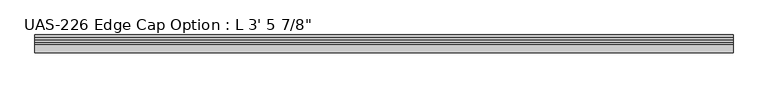
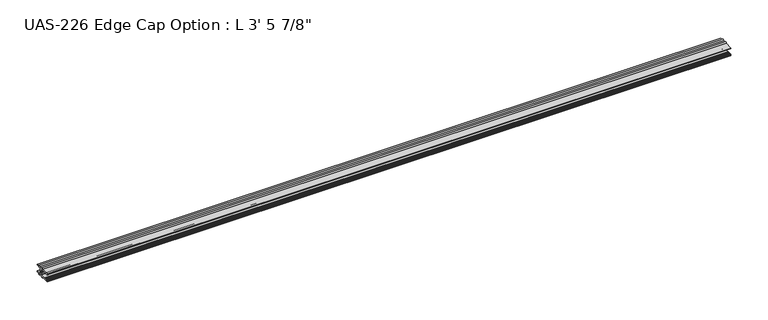
"""IFC4 building model written with IfcOpenShell, lengths in millimetres: proxy geometry."""

import ifcopenshell
import ifcopenshell.guid

model = None  # the IFC model being written
_history = None  # IfcOwnerHistory: only IFC2X3 demands one
_inside = {}  # id of a spatial element -> (the spatial element, [elements in it])
_under = {}  # id of a project, library or spatial element -> (it, [spatial elements below it])
_declared = {}  # id of a project -> (the project, [libraries it declares])
_typed = {}  # id of a type object -> (the type object, [elements of that type])
_made_of = {}  # id of a material, layer set ... -> (it, [elements and type objects made of it])


def new_model(schema):
    """Start an empty IFC model of exactly this schema.

    Asked for "IFC4X3", IfcOpenShell would pick the latest addendum, in which some entities
    have other attributes; the version numbers below select the first issue.
    IFC2X3 requires an IfcOwnerHistory on every rooted entity: one is made here for all.
    """
    global model, _history
    if schema == "IFC4X3":
        model = ifcopenshell.file(schema_version=(4, 3, 0, 0))
    else:
        model = ifcopenshell.file(schema=schema)
    _inside.clear()
    _under.clear()
    _declared.clear()
    _typed.clear()
    _made_of.clear()
    _history = None
    if model.schema == "IFC2X3":
        org = make("IfcOrganization", Name="unknown")
        user = make(
            "IfcPersonAndOrganization",
            ThePerson=make("IfcPerson", FamilyName="unknown"),
            TheOrganization=org,
        )
        app = make(
            "IfcApplication",
            ApplicationDeveloper=org,
            Version="unknown",
            ApplicationFullName="unknown",
            ApplicationIdentifier="unknown",
        )
        _history = make(
            "IfcOwnerHistory",
            OwningUser=user,
            OwningApplication=app,
            ChangeAction="ADDED",
            CreationDate=0,
        )
    return model


def make(cls, **values):
    """One entity of the class cls with the attributes given. An attribute that is None is left unset."""
    return model.create_entity(
        cls, **{name: value for name, value in values.items() if value is not None}
    )


def rooted(cls, **values):
    """An entity with a GlobalId (a new one), such as an element, a storey or a relation."""
    return make(cls, GlobalId=ifcopenshell.guid.new(), OwnerHistory=_history, **values)


def si_unit(unit_type, name, prefix=None):
    """IfcSIUnit, for example si_unit("LENGTHUNIT", "METRE", prefix="MILLI")."""
    return make("IfcSIUnit", UnitType=unit_type, Prefix=prefix, Name=name)


def assignment(units):
    """IfcUnitAssignment: the units of a project."""
    return None if units is None else make("IfcUnitAssignment", Units=units)


def point(xyz):
    """IfcCartesianPoint."""
    return None if xyz is None else make("IfcCartesianPoint", Coordinates=xyz)


def direction(xyz):
    """IfcDirection."""
    return None if xyz is None else make("IfcDirection", DirectionRatios=xyz)


def frame(location, z_axis=None, x_axis=None):
    """IfcAxis2Placement3D, a coordinate frame: its origin and axes. An axis left out is left unset."""
    return make(
        "IfcAxis2Placement3D",
        Location=point(location),
        Axis=direction(z_axis),
        RefDirection=direction(x_axis),
    )


def frame_2d(location, x_axis=None):
    """IfcAxis2Placement2D, a coordinate frame in the plane: its origin and x axis."""
    return make(
        "IfcAxis2Placement2D", Location=point(location), RefDirection=direction(x_axis)
    )


def origin():
    """The frame at (0, 0, 0) with its axes left unset."""
    return frame((0.0, 0.0, 0.0))


def place(relative_to, where):
    """IfcLocalPlacement: puts the frame where relative to a parent placement (None: the world)."""
    return make(
        "IfcLocalPlacement", PlacementRelTo=relative_to, RelativePlacement=where
    )


def context(
    kind, dimensions, precision=None, world=None, true_north=None, identifier=None
):
    """IfcGeometricRepresentationContext, for example the 3D "Model" context."""
    return make(
        "IfcGeometricRepresentationContext",
        ContextIdentifier=identifier,
        ContextType=kind,
        CoordinateSpaceDimension=dimensions,
        Precision=precision,
        WorldCoordinateSystem=world,
        TrueNorth=true_north,
    )


def project(units=None, contexts=None):
    """IfcProject with its units and contexts."""
    return rooted(
        "IfcProject",
        Name="project",
        RepresentationContexts=contexts,
        UnitsInContext=assignment(units),
    )


def spatial(cls, under=None, at=None, **own):
    """A site, building, storey or space (cls), placed at a placement, below another one or the project."""
    s = rooted(cls, ObjectPlacement=at, **own)
    if under is not None:
        _under.setdefault(under.id(), (under, []))[1].append(s)
    return s


def polyline(points):
    """IfcPolyline through the points."""
    return make("IfcPolyline", Points=[point(p) for p in points])


def circle_curve(where, radius):
    """IfcCircle in the frame where."""
    return make("IfcCircle", Position=where, Radius=radius)


def trimmed(basis, trim1, trim2, sense, master):
    """IfcTrimmedCurve: the piece of a basis curve between two trims."""
    return make(
        "IfcTrimmedCurve",
        BasisCurve=basis,
        Trim1=trim1,
        Trim2=trim2,
        SenseAgreement=sense,
        MasterRepresentation=master,
    )


def segment(curve, same_sense, transition):
    """IfcCompositeCurveSegment."""
    return make(
        "IfcCompositeCurveSegment",
        Transition=transition,
        SameSense=same_sense,
        ParentCurve=curve,
    )


def composite_curve(segments, self_intersect=None):
    """IfcCompositeCurve: segments joined end to end."""
    return make("IfcCompositeCurve", Segments=segments, SelfIntersect=self_intersect)


def outline(outer, holes=None, kind="AREA"):
    """IfcArbitraryClosedProfileDef: a profile drawn as a closed curve; with holes, ...WithVoids."""
    if holes is None:
        return make("IfcArbitraryClosedProfileDef", ProfileType=kind, OuterCurve=outer)
    return make(
        "IfcArbitraryProfileDefWithVoids",
        ProfileType=kind,
        OuterCurve=outer,
        InnerCurves=holes,
    )


def extrude(swept, where, along, depth):
    """IfcExtrudedAreaSolid: the profile swept, set in the frame where, extruded along a direction by depth."""
    return make(
        "IfcExtrudedAreaSolid",
        SweptArea=swept,
        Position=where,
        ExtrudedDirection=direction(along),
        Depth=depth,
    )


def shape(context_of_items, identifier, shape_type, items):
    """IfcShapeRepresentation: the items that make up one representation, for example the "Body"."""
    return make(
        "IfcShapeRepresentation",
        ContextOfItems=context_of_items,
        RepresentationIdentifier=identifier,
        RepresentationType=shape_type,
        Items=items,
    )


def source(mapping_origin, context_of_items, identifier, shape_type, items):
    """IfcRepresentationMap: a shape defined once, which mapped items show again and again."""
    return make(
        "IfcRepresentationMap",
        MappingOrigin=mapping_origin,
        MappedRepresentation=shape(context_of_items, identifier, shape_type, items),
    )


def transform(
    local_origin,
    x_axis=None,
    y_axis=None,
    z_axis=None,
    scale=None,
    scale2=None,
    scale3=None,
    uniform=True,
):
    """IfcCartesianTransformationOperator3D, or its non-uniform kind. x_axis, y_axis, z_axis: its Axis1, 2, 3."""
    if uniform:
        return make(
            "IfcCartesianTransformationOperator3D",
            Axis1=direction(x_axis),
            Axis2=direction(y_axis),
            LocalOrigin=point(local_origin),
            Scale=scale,
            Axis3=direction(z_axis),
        )
    return make(
        "IfcCartesianTransformationOperator3DnonUniform",
        Axis1=direction(x_axis),
        Axis2=direction(y_axis),
        LocalOrigin=point(local_origin),
        Scale=scale,
        Axis3=direction(z_axis),
        Scale2=scale2,
        Scale3=scale3,
    )


def mapped(mapping_source, mapping_target):
    """IfcMappedItem: shows the shape of a source again, moved by a transform."""
    return make(
        "IfcMappedItem", MappingSource=mapping_source, MappingTarget=mapping_target
    )


def made_of(thing, what):
    """Note that an element or type object is made of a material, layer set ...; save() writes the relation."""
    if what is not None:
        _made_of.setdefault(what.id(), (what, []))[1].append(thing)
    return thing


def element(
    cls,
    number,
    at=None,
    inside=None,
    cuts=None,
    type_object=None,
    material=None,
    context=None,
    identifier="Body",
    shape_type=None,
    held_by="IfcProductDefinitionShape",
    body=None,
    shapes=None,
    **own,
):
    """One element of the class cls, such as IfcWall. Its Tag is "e" and its number.

    at: its placement. inside: the storey or other place that contains it. cuts: it is an
    opening in that element (IfcRelVoidsElement). A single representation is given by context,
    identifier, shape_type and body (its items); several are given by shapes. held_by: the class
    of the entity that holds the representations. save() writes the other relations.
    """
    e = rooted(cls, Tag="e%d" % number, ObjectPlacement=at, **own)
    if body is not None:
        shapes = [shape(context, identifier, shape_type, body)]
    if shapes is not None:
        e.Representation = make(held_by, Representations=shapes)
    if inside is not None:
        _inside.setdefault(inside.id(), (inside, []))[1].append(e)
    if cuts is not None:
        rooted(
            "IfcRelVoidsElement", RelatingBuildingElement=cuts, RelatedOpeningElement=e
        )
    if type_object is not None:
        _typed.setdefault(type_object.id(), (type_object, []))[1].append(e)
    return made_of(e, material)


def aggregate(whole, parts):
    """IfcRelAggregates: a whole, such as a stair, and the parts it consists of."""
    return rooted("IfcRelAggregates", RelatingObject=whole, RelatedObjects=parts)


def save(model, path):
    """Write the relations noted so far, then the file.

    IfcRelAggregates (storeys below a building ...), IfcRelContainedInSpatialStructure (elements
    in a storey), IfcRelDefinesByType, IfcRelAssociatesMaterial and IfcRelDeclares: one each for
    every whole, place, type object, material and project.
    """
    for whole, parts in _under.values():
        aggregate(whole, parts)
    for where, things in _inside.values():
        rooted(
            "IfcRelContainedInSpatialStructure",
            RelatedElements=things,
            RelatingStructure=where,
        )
    for kind, things in _typed.values():
        rooted("IfcRelDefinesByType", RelatedObjects=things, RelatingType=kind)
    for what, things in _made_of.values():
        rooted("IfcRelAssociatesMaterial", RelatedObjects=things, RelatingMaterial=what)
    for by, libraries in _declared.values():
        rooted("IfcRelDeclares", RelatingContext=by, RelatedDefinitions=libraries)
    model.write(path)


def proxy_6c69d7c0(model_context):
    return source(origin(), model_context, "Body", "SweptSolid", [
        extrude(outline(composite_curve([segment(polyline([(0.0, 14.2875), (12.2786739, 14.2875)]), True, "CONTINUOUS"), segment(trimmed(circle_curve(frame_2d((13.8661739, 14.2875)), 1.5875), [point((12.2786739, 14.2875))], [point((15.4536739, 14.2875))], False, "CARTESIAN"), True, "CONTINUOUS"), segment(polyline([(15.4536739, 14.2875), (19.6319739, 14.2875)]), True, "CONTINUOUS"), segment(trimmed(circle_curve(frame_2d((21.2067739, 14.2875)), 1.5748), [point((19.6319739, 14.2875))], [point((22.7815739, 14.2875))], False, "CARTESIAN"), True, "CONTINUOUS"), segment(polyline([(22.7815739, 14.2875), (26.9852739, 14.2875), (26.9852739, 12.7), (17.9111239, 12.7), (17.9111239, 3.175), (26.9852739, 3.175), (26.9852739, 1.5875), (22.7815739, 1.5875)]), True, "CONTINUOUS"), segment(trimmed(circle_curve(frame_2d((21.2067739, 1.5875)), 1.5748), [point((22.7815739, 1.5875))], [point((19.6319739, 1.5875))], False, "CARTESIAN"), True, "CONTINUOUS"), segment(polyline([(19.6319739, 1.5875), (15.4536739, 1.5875)]), True, "CONTINUOUS"), segment(trimmed(circle_curve(frame_2d((13.8661739, 1.5875)), 1.5875), [point((15.4536739, 1.5875))], [point((12.2786739, 1.5875))], False, "CARTESIAN"), True, "CONTINUOUS"), segment(polyline([(12.2786739, 1.5875), (0.0, 1.5875), (0.0, 2.8080426)]), True, "CONTINUOUS"), segment(trimmed(circle_curve(frame_2d((0.5981599, 2.8080426)), 0.5981599), [point((0.0, 2.8080426))], [point((0.5981599, 3.4062025))], False, "CARTESIAN"), True, "CONTINUOUS"), segment(polyline([(0.5981599, 3.4062025), (1.3929204, 3.4062025), (2.1509032, 3.1452081), (2.9088859, 3.4062025), (3.6668687, 3.1452081), (4.4248515, 3.4062025), (5.1828342, 3.1452081), (5.940817, 3.4062025), (6.798801, 3.1452081), (7.5567838, 3.4062025), (8.316831, 3.175), (16.3871239, 3.175), (16.3871239, 6.35), (16.6422877, 7.1888169), (16.6422877, 8.6861831), (16.3871239, 9.525), (16.3871239, 12.7), (8.316831, 12.7), (7.5567838, 12.4687975), (6.798801, 12.7297919), (5.940817, 12.4687975), (5.1828342, 12.7297919), (4.4248515, 12.4687975), (3.6668687, 12.7297919), (2.9088859, 12.4687975), (2.1509032, 12.7297919), (1.3929204, 12.4687975), (0.5981599, 12.4687975)]), True, "CONTINUOUS"), segment(trimmed(circle_curve(frame_2d((0.5981599, 13.0669574)), 0.5981599), [point((0.5981599, 12.4687975))], [point((0.0, 13.0669574))], False, "CARTESIAN"), True, "CONTINUOUS"), segment(polyline([(0.0, 13.0669574), (0.0, 14.2875)]), True, "CONTINUOUS")], self_intersect=False)), frame((0.0, 0.0, 0.0), z_axis=(1.0, 0.0, 0.0), x_axis=(0.0, 1.0, 0.0)), (0.0, 0.0, 1.0), 1063.625),
    ])


if __name__ == "__main__":
    model = new_model("IFC4")
    model_context = context("Model", 3, world=origin())
    ifc_project = project(units=[si_unit("LENGTHUNIT", "METRE", prefix="MILLI")], contexts=[model_context])
    site = spatial("IfcSite", under=ifc_project)
    building = spatial("IfcBuilding", under=site)
    placement = place(None, origin())
    proxy_shape = proxy_6c69d7c0(model_context)
    element("IfcBuildingElementProxy", 1, Name="UAS-226 Edge Cap Option : L 3' 5 7/8\"", ObjectType="UAS-226 Edge Cap Option : L 3' 5 7/8\"", at=placement, inside=building, context=model_context, shape_type="MappedRepresentation", body=[
        mapped(proxy_shape, transform((0.0, 0.0, 0.0), x_axis=(1.0, 0.0, 0.0), y_axis=(0.0, 1.0, 0.0), z_axis=(0.0, 0.0, 1.0))),
    ])
    save(model, "model.ifc")
